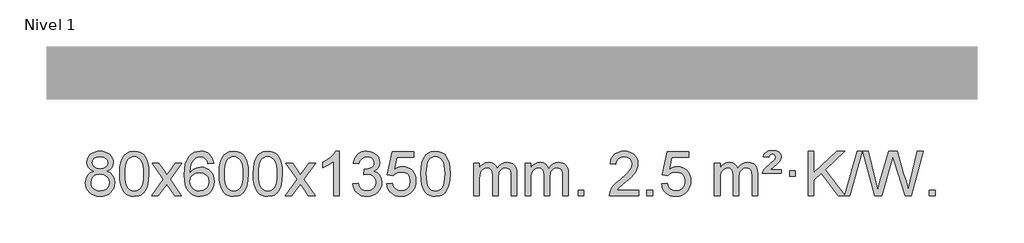
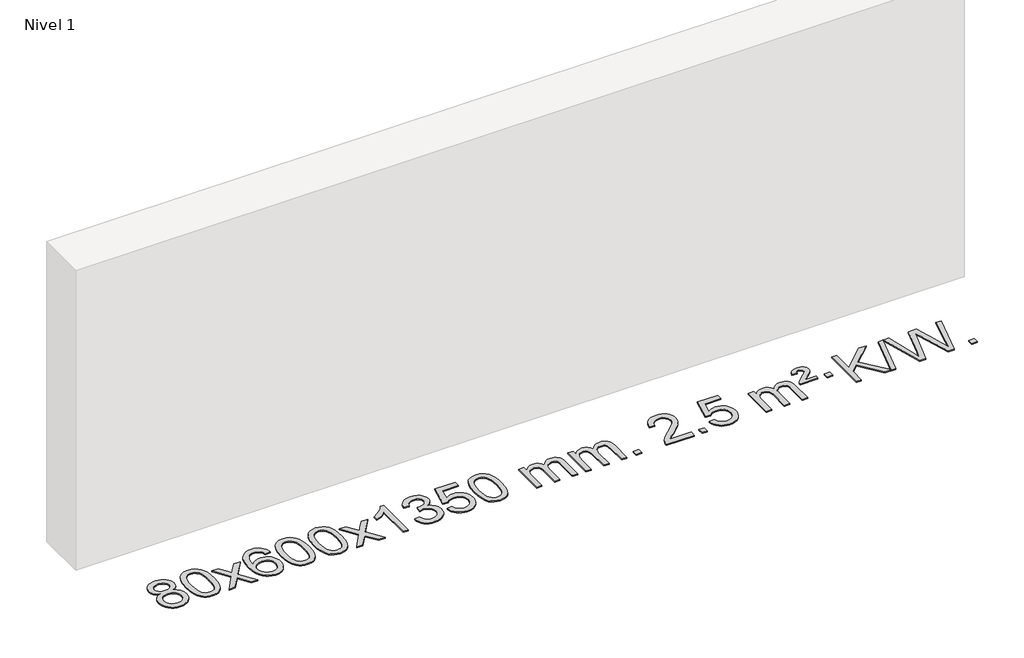
# One storey, part 14 of 15: 1 proxy.
"""IFC4 building model written with IfcOpenShell, lengths in millimetres."""

from ifc_helpers import new_model, si_unit, origin, origin_with_axes, place, context, project, spatial, polyline, outline, extrude, element, save

model = new_model("IFC4")

# Units and contexts
model_context = context("Model", 3, world=origin())
ifc_project = project(units=[si_unit("LENGTHUNIT", "METRE", prefix="MILLI")], contexts=[model_context])

# Site, building, storey
site = spatial("IfcSite", under=ifc_project)
building = spatial("IfcBuilding", under=site)
storey = spatial("IfcBuildingStorey", under=building, Name="Nivel 1", Elevation=0.0)

# Proxy
placement = place(None, origin())
element("IfcBuildingElementProxy", 1, Name="Texto de modelo 1", ObjectType="Texto de modelo 1", at=placement, inside=storey, context=model_context, shape_type="SweptSolid", body=[
    extrude(outline(polyline([(-13052.9663894, 2810.7383553), (-13079.8585632, 2823.9821071), (-13098.7309096, 2841.9347485), (-13109.877734, 2864.2283974), (-13113.5933422, 2890.4951719), (-13111.5699912, 2910.9800676), (-13105.4999383, 2929.7604435), (-13095.3831834, 2946.8362994), (-13081.2197266, 2962.2076355), (-13063.6901495, 2974.911827), (-13043.4750339, 2983.9862496), (-13020.5743797, 2989.4309031), (-12994.9881869, 2991.2457876), (-12969.2793668, 2989.3879835), (-12946.2070344, 2983.8145713), (-12925.7711895, 2974.5255509), (-12907.9718323, 2961.5209224), (-12893.5508581, 2945.8491494), (-12883.2501622, 2928.5586956), (-12877.0697447, 2909.6495611), (-12875.0096056, 2889.1217457), (-12878.6761628, 2863.7010999), (-12889.6758344, 2841.7875957), (-12908.1312479, 2823.9453189), (-12934.1650304, 2810.7383553), (-12903.2506801, 2794.8090649), (-12880.7485647, 2771.3504564), (-12867.0265663, 2741.4907011), (-12862.4525668, 2706.3579705), (-12864.7211724, 2681.3052067), (-12871.5269893, 2658.3371074), (-12882.8700175, 2637.4536728), (-12898.750257, 2618.6549029), (-12918.3338419, 2603.11802), (-12940.7869063, 2592.0202464), (-12966.1094503, 2585.3615823), (-12994.3014739, 2583.1420276), (-13022.4934974, 2585.3707794), (-13047.8160414, 2592.0570346), (-13070.2691059, 2603.2007934), (-13089.8526907, 2618.8020557), (-13105.7329302, 2637.73265), (-13117.0759584, 2658.864405), (-13123.8817753, 2682.1973205), (-13126.1503809, 2707.7313967), (-13121.3924405, 2744.2252906), (-13107.118619, 2774.2444614), (-13084.0646807, 2796.7588395), (-13052.9663894, 2810.7383553)]), holes=[polyline([(-13063.3651871, 2889.0236439), (-13058.9138149, 2867.097877), (-13045.5596985, 2849.586694), (-13023.6952453, 2838.1087757), (-12993.7128627, 2834.282803), (-12964.4294559, 2838.0842503), (-12942.8960964, 2849.4885921), (-12929.6523446, 2866.4111639), (-12925.2377606, 2886.767301), (-12929.7994974, 2907.8959902), (-12943.4847076, 2925.370385), (-12965.3123726, 2937.1058206), (-12994.3014739, 2941.0176325), (-13023.4745161, 2937.1916598), (-13045.2653929, 2925.7137415), (-13058.8402385, 2908.8892716), (-13063.3651871, 2889.0236439)]), polyline([(-13075.9222259, 2709.4972302), (-13073.8252985, 2690.2815274), (-13067.5345164, 2671.6789611), (-13055.9217081, 2655.4553651), (-13037.8587021, 2643.376573), (-13016.2272408, 2635.8717803), (-12993.9090664, 2633.3701827), (-12959.7205663, 2638.6308952), (-12945.8268896, 2645.2067859), (-12934.0669285, 2654.4130328), (-12918.0272735, 2678.3130998), (-12912.6807219, 2707.9276004), (-12918.1989518, 2738.0448731), (-12934.7536416, 2762.4722375), (-12946.8324337, 2771.9145421), (-12960.9958906, 2778.6590453), (-12995.5767981, 2784.0546479), (-13029.2870516, 2778.7326217), (-13043.0243784, 2772.080089), (-13054.683172, 2762.7665431), (-13070.6124624, 2738.8051625), (-13075.9222259, 2709.4972302)])]), origin_with_axes(), (0.0, 0.0, 1.0), 10.0),
    extrude(outline(polyline([(-12818.5029311, 2787.0958057), (-12814.8118484, 2851.4138412), (-12803.7386004, 2902.7088541), (-12785.3935515, 2941.7656593), (-12773.5354886, 2956.9990395), (-12759.8870665, 2969.3690716), (-12744.4023002, 2978.9401349), (-12727.0352044, 2985.7766086), (-12686.654024, 2991.2457876), (-12655.7028855, 2988.008426), (-12627.9891085, 2978.2963414), (-12604.8125428, 2962.4896783), (-12587.4730381, 2940.9685816), (-12574.3764391, 2913.9169922), (-12563.9285904, 2881.5188512), (-12557.0859853, 2840.3773814), (-12554.805117, 2787.0958057), (-12558.4594114, 2723.1456523), (-12569.4222949, 2671.9732667), (-12587.6569791, 2632.8796734), (-12599.487451, 2617.6003078), (-12613.1266759, 2605.1658964), (-12628.6298363, 2595.5304538), (-12646.0521145, 2588.6479948), (-12686.654024, 2583.1420276), (-12714.3187501, 2585.5332606), (-12738.8442164, 2592.7069595), (-12760.2304231, 2604.6631243), (-12778.47737, 2621.4017551), (-12795.988553, 2651.6600492), (-12808.4965408, 2689.3618224), (-12816.0013335, 2734.5070745), (-12818.5029311, 2787.0958057)]), holes=[polyline([(-12768.274776, 2787.1939076), (-12766.803248, 2743.5293805), (-12762.3886641, 2708.1851178), (-12755.0310242, 2681.1611196), (-12744.7303283, 2662.4573858), (-12732.2713914, 2649.7317344), (-12718.4390284, 2640.6419835), (-12703.2332393, 2635.1881329), (-12686.654024, 2633.3701827), (-12670.0748088, 2635.1942643), (-12654.8690196, 2640.6665089), (-12641.0366566, 2649.7869167), (-12628.5777197, 2662.5554876), (-12618.2770239, 2681.2898783), (-12610.919384, 2708.3077451), (-12606.5048, 2743.6090882), (-12605.033272, 2787.1939076), (-12606.4557491, 2829.7026722), (-12610.7231802, 2864.4246011), (-12617.8355655, 2891.3596945), (-12627.7929048, 2910.5079524), (-12640.0433752, 2923.8559375), (-12654.0351538, 2933.3902125), (-12669.7682404, 2939.1107775), (-12687.2426352, 2941.0176325), (-12703.7360113, 2939.3376381), (-12718.6842831, 2934.2976548), (-12732.0874504, 2925.8976825), (-12743.9455134, 2914.1377214), (-12754.5895658, 2893.291075), (-12762.1924604, 2865.1848906), (-12766.7541971, 2829.8191681), (-12768.274776, 2787.1939076)])]), origin_with_axes(), (0.0, 0.0, 1.0), 10.0),
    extrude(outline(polyline([(-12529.6910394, 2589.420547), (-12422.3675987, 2737.7505675), (-12523.41252, 2884.5109581), (-12462.981771, 2884.5109581), (-12414.2251439, 2813.877615), (-12391.4655111, 2780.5229808), (-12371.7470362, 2807.7952993), (-12316.2213804, 2884.5109581), (-12255.7906313, 2884.5109581), (-12361.9368496, 2737.7505675), (-12259.7147059, 2589.420547), (-12320.145455, 2589.420547), (-12381.6553246, 2678.5951426), (-12392.9370391, 2694.8800523), (-12469.2602903, 2589.420547), (-12529.6910394, 2589.420547)])), origin_with_axes(), (0.0, 0.0, 1.0), 10.0),
    extrude(outline(polyline([(-11970.9028142, 2884.5109581), (-12021.1309693, 2878.2324387), (-12029.2243732, 2903.125787), (-12040.1627312, 2920.1219352), (-12062.9468894, 2935.7937082), (-12090.4889881, 2941.0176325), (-12113.8372321, 2937.9764747), (-12135.8120499, 2928.8530012), (-12154.6843963, 2909.6372983), (-12170.0986519, 2883.1865829), (-12180.5097123, 2845.772984), (-12184.3724733, 2793.6686307), (-12164.2248027, 2817.1762902), (-12140.0794811, 2833.7432427), (-12113.2854091, 2843.565692), (-12085.1914874, 2846.8398418), (-12061.0584285, 2844.601893), (-12038.7893051, 2837.8880466), (-12018.3841171, 2826.6983025), (-11999.8428645, 2811.0326609), (-11984.4347403, 2791.8230894), (-11973.4289372, 2770.0015557), (-11966.8254554, 2745.5680599), (-11964.6242948, 2718.5226018), (-11968.7690986, 2682.5560055), (-11981.2035101, 2649.213634), (-12000.8974596, 2620.9357713), (-12026.8208775, 2600.1627013), (-12057.7965415, 2587.397196), (-12092.6472291, 2583.1420276), (-12122.5897579, 2585.9624563), (-12149.6321502, 2594.4237421), (-12173.7744061, 2608.5258853), (-12195.0165257, 2628.2688857), (-12212.3345706, 2654.4866092), (-12224.7046027, 2688.0129217), (-12232.1266219, 2728.8478232), (-12234.6006284, 2776.9913136), (-12231.8537761, 2830.9657337), (-12223.6132194, 2877.0306908), (-12209.8789583, 2915.1861851), (-12190.6509927, 2945.4322165), (-12169.8104776, 2965.4756538), (-12145.6467619, 2979.7923948), (-12118.1598455, 2988.3824394), (-12087.3497284, 2991.2457876), (-12064.2160823, 2989.4738227), (-12043.2774654, 2984.1579278), (-12024.5338777, 2975.2981031), (-12007.9853193, 2962.8943485), (-11994.0793799, 2947.3635969), (-11983.2636492, 2929.1227814), (-11975.5381274, 2908.1719017), (-11970.9028142, 2884.5109581)]), holes=[polyline([(-12184.3724733, 2719.3074168), (-12181.4662055, 2697.0505561), (-12172.7474022, 2675.7992395), (-12159.2093448, 2657.527767), (-12141.8453146, 2644.2104388), (-12120.8883036, 2636.0802467), (-12096.5713038, 2633.3701827), (-12063.425136, 2638.9865145), (-12049.5099995, 2646.0069292), (-12037.366828, 2655.8355099), (-12027.5167876, 2668.0737176), (-12020.4810444, 2682.3230135), (-12014.8524499, 2716.8548701), (-12020.407468, 2750.0010379), (-12027.3512407, 2763.6218688), (-12037.0725224, 2775.274531), (-12049.2524821, 2784.6095366), (-12063.5722888, 2791.2773978), (-12098.6314429, 2796.6116867), (-12131.7285598, 2791.2773978), (-12159.4055485, 2775.274531), (-12170.3285781, 2763.7751529), (-12178.1307421, 2750.6141746), (-12182.8120405, 2735.7915958), (-12184.3724733, 2719.3074168)])]), origin_with_axes(), (0.0, 0.0, 1.0), 10.0),
    extrude(outline(polyline([(-11920.6746591, 2787.0958057), (-11916.9835765, 2851.4138412), (-11905.9103284, 2902.7088541), (-11887.5652796, 2941.7656593), (-11875.7072166, 2956.9990395), (-11862.0587946, 2969.3690716), (-11846.5740283, 2978.9401349), (-11829.2069324, 2985.7766086), (-11788.8257521, 2991.2457876), (-11757.8746135, 2988.008426), (-11730.1608366, 2978.2963414), (-11706.9842709, 2962.4896783), (-11689.6447662, 2940.9685816), (-11676.5481671, 2913.9169922), (-11666.1003185, 2881.5188512), (-11659.2577134, 2840.3773814), (-11656.976845, 2787.0958057), (-11660.6311395, 2723.1456523), (-11671.5940229, 2671.9732667), (-11689.8287072, 2632.8796734), (-11701.659179, 2617.6003078), (-11715.298404, 2605.1658964), (-11730.8015644, 2595.5304538), (-11748.2238425, 2588.6479948), (-11788.8257521, 2583.1420276), (-11816.4904781, 2585.5332606), (-11841.0159444, 2592.7069595), (-11862.4021511, 2604.6631243), (-11880.6490981, 2621.4017551), (-11898.160281, 2651.6600492), (-11910.6682689, 2689.3618224), (-11918.1730616, 2734.5070745), (-11920.6746591, 2787.0958057)]), holes=[polyline([(-11870.4465041, 2787.1939076), (-11868.9749761, 2743.5293805), (-11864.5603921, 2708.1851178), (-11857.2027522, 2681.1611196), (-11846.9020564, 2662.4573858), (-11834.4431195, 2649.7317344), (-11820.6107564, 2640.6419835), (-11805.4049673, 2635.1881329), (-11788.8257521, 2633.3701827), (-11772.2465368, 2635.1942643), (-11757.0407477, 2640.6665089), (-11743.2083847, 2649.7869167), (-11730.7494478, 2662.5554876), (-11720.4487519, 2681.2898783), (-11713.091112, 2708.3077451), (-11708.676528, 2743.6090882), (-11707.2050001, 2787.1939076), (-11708.6274771, 2829.7026722), (-11712.8949083, 2864.4246011), (-11720.0072935, 2891.3596945), (-11729.9646328, 2910.5079524), (-11742.2151033, 2923.8559375), (-11756.2068818, 2933.3902125), (-11771.9399685, 2939.1107775), (-11789.4143633, 2941.0176325), (-11805.9077394, 2939.3376381), (-11820.8560111, 2934.2976548), (-11834.2591785, 2925.8976825), (-11846.1172414, 2914.1377214), (-11856.7612938, 2893.291075), (-11864.3641884, 2865.1848906), (-11868.9259251, 2829.8191681), (-11870.4465041, 2787.1939076)])]), origin_with_axes(), (0.0, 0.0, 1.0), 10.0),
    extrude(outline(polyline([(-11613.0272093, 2787.0958057), (-11609.3361266, 2851.4138412), (-11598.2628786, 2902.7088541), (-11579.9178297, 2941.7656593), (-11568.0597668, 2956.9990395), (-11554.4113447, 2969.3690716), (-11538.9265784, 2978.9401349), (-11521.5594826, 2985.7766086), (-11481.1783022, 2991.2457876), (-11450.2271637, 2988.008426), (-11422.5133867, 2978.2963414), (-11399.336821, 2962.4896783), (-11381.9973163, 2940.9685816), (-11368.9007173, 2913.9169922), (-11358.4528686, 2881.5188512), (-11351.6102635, 2840.3773814), (-11349.3293952, 2787.0958057), (-11352.9836896, 2723.1456523), (-11363.9465731, 2671.9732667), (-11382.1812573, 2632.8796734), (-11394.0117292, 2617.6003078), (-11407.6509541, 2605.1658964), (-11423.1541145, 2595.5304538), (-11440.5763927, 2588.6479948), (-11481.1783022, 2583.1420276), (-11508.8430283, 2585.5332606), (-11533.3684946, 2592.7069595), (-11554.7547013, 2604.6631243), (-11573.0016482, 2621.4017551), (-11590.5128312, 2651.6600492), (-11603.020819, 2689.3618224), (-11610.5256117, 2734.5070745), (-11613.0272093, 2787.0958057)]), holes=[polyline([(-11562.7990542, 2787.1939076), (-11561.3275262, 2743.5293805), (-11556.9129423, 2708.1851178), (-11549.5553024, 2681.1611196), (-11539.2546065, 2662.4573858), (-11526.7956696, 2649.7317344), (-11512.9633066, 2640.6419835), (-11497.7575175, 2635.1881329), (-11481.1783022, 2633.3701827), (-11464.599087, 2635.1942643), (-11449.3932978, 2640.6665089), (-11435.5609348, 2649.7869167), (-11423.1019979, 2662.5554876), (-11412.8013021, 2681.2898783), (-11405.4436622, 2708.3077451), (-11401.0290782, 2743.6090882), (-11399.5575502, 2787.1939076), (-11400.9800273, 2829.7026722), (-11405.2474584, 2864.4246011), (-11412.3598437, 2891.3596945), (-11422.317183, 2910.5079524), (-11434.5676534, 2923.8559375), (-11448.559432, 2933.3902125), (-11464.2925187, 2939.1107775), (-11481.7669134, 2941.0176325), (-11498.2602895, 2939.3376381), (-11513.2085613, 2934.2976548), (-11526.6117286, 2925.8976825), (-11538.4697916, 2914.1377214), (-11549.113844, 2893.291075), (-11556.7167386, 2865.1848906), (-11561.2784753, 2829.8191681), (-11562.7990542, 2787.1939076)])]), origin_with_axes(), (0.0, 0.0, 1.0), 10.0),
    extrude(outline(polyline([(-11324.2153176, 2589.420547), (-11216.8918769, 2737.7505675), (-11317.9367982, 2884.5109581), (-11257.5060492, 2884.5109581), (-11208.7494221, 2813.877615), (-11185.9897893, 2780.5229808), (-11166.2713144, 2807.7952993), (-11110.7456586, 2884.5109581), (-11050.3149095, 2884.5109581), (-11156.4611278, 2737.7505675), (-11054.2389841, 2589.420547), (-11114.6697332, 2589.420547), (-11176.1796028, 2678.5951426), (-11187.4613173, 2694.8800523), (-11263.7845685, 2589.420547), (-11324.2153176, 2589.420547)])), origin_with_axes(), (0.0, 0.0, 1.0), 10.0),
    extrude(outline(polyline([(-10834.4908056, 2589.420547), (-10884.7189607, 2589.420547), (-10884.7189607, 2902.5617013), (-10905.6882344, 2885.6023413), (-10932.2983654, 2868.6675068), (-10985.1752709, 2843.3081746), (-10985.1752709, 2890.7894775), (-10945.7260583, 2912.2492605), (-10911.5498209, 2937.780271), (-10884.6085961, 2964.9299622), (-10866.8644212, 2991.2457876), (-10834.4908056, 2991.2457876), (-10834.4908056, 2589.420547)])), origin_with_axes(), (0.0, 0.0, 1.0), 10.0),
    extrude(outline(polyline([(-10715.1989373, 2696.1553765), (-10664.9707823, 2702.4338959), (-10653.7258559, 2670.8696207), (-10637.2570053, 2649.5569905), (-10614.7548899, 2637.4168846), (-10585.4101694, 2633.3701827), (-10550.9764147, 2638.9374636), (-10536.7025933, 2645.8965646), (-10524.3908092, 2655.6393061), (-10507.394661, 2680.5571799), (-10501.7292783, 2710.7725545), (-10507.3456101, 2739.4550874), (-10524.1946054, 2762.7174922), (-10549.7010904, 2778.1317478), (-10581.2898911, 2783.269833), (-10616.5084608, 2777.7761285), (-10610.9166544, 2828.0042836), (-10602.8723015, 2827.4156724), (-10572.7795543, 2831.020916), (-10545.8751177, 2841.8366466), (-10534.8018696, 2850.0158897), (-10526.8924067, 2860.1326445), (-10522.146729, 2872.1869112), (-10520.5648364, 2886.1786898), (-10525.1510986, 2907.8714648), (-10538.9098853, 2925.4684869), (-10559.9036844, 2937.1303461), (-10586.1949844, 2941.0176325), (-10612.5353352, 2937.0935579), (-10634.0686947, 2925.3213341), (-10649.7895186, 2905.700961), (-10658.6922629, 2878.2324387), (-10708.920418, 2884.5109581), (-10702.966861, 2908.4907328), (-10694.1315618, 2929.6132907), (-10682.4145202, 2947.8786317), (-10667.8157364, 2963.286756), (-10650.7950627, 2975.5188323), (-10631.8123518, 2984.2560297), (-10610.8676035, 2989.4983481), (-10587.9608179, 2991.2457876), (-10556.38428, 2987.7999596), (-10527.3829161, 2977.4624755), (-10502.9310261, 2961.1530404), (-10485.0029102, 2939.7913592), (-10474.0032386, 2915.1800537), (-10470.3366814, 2889.1217457), (-10473.8192976, 2864.8415341), (-10484.2671462, 2842.8176653), (-10501.5330745, 2824.0556835), (-10525.4699297, 2809.5611329), (-10494.0282818, 2796.8569414), (-10470.7290888, 2775.22548), (-10456.3081146, 2745.8439714), (-10451.5011232, 2709.8896377), (-10453.9046189, 2684.4076782), (-10461.115106, 2660.9368069), (-10473.1325845, 2639.4770238), (-10489.9570544, 2620.028329), (-10510.4542129, 2603.8905722), (-10533.4897572, 2592.363603), (-10559.0636872, 2585.4474215), (-10587.176003, 2583.1420276), (-10612.5843862, 2585.1101963), (-10635.7364264, 2591.0147023), (-10656.6321237, 2600.8555457), (-10675.2714781, 2614.6327264), (-10690.9003316, 2631.5369041), (-10702.7645259, 2650.7587383), (-10710.8640612, 2672.2982292), (-10715.1989373, 2696.1553765)])), origin_with_axes(), (0.0, 0.0, 1.0), 10.0),
    extrude(outline(polyline([(-10407.5514875, 2696.1553765), (-10357.3233324, 2702.4338959), (-10348.1017571, 2672.2798351), (-10332.0130512, 2650.6851619), (-10309.1307911, 2637.6989275), (-10279.5285532, 2633.3701827), (-10260.3986894, 2634.8754332), (-10243.5251686, 2639.3911847), (-10228.9079907, 2646.9174372), (-10216.5471556, 2657.4541906), (-10206.718575, 2670.480279), (-10199.6981602, 2685.4745359), (-10194.0818284, 2721.3675559), (-10199.342541, 2755.1636486), (-10205.9184316, 2769.0818507), (-10215.1246786, 2781.0134901), (-10226.9919386, 2790.5845533), (-10241.5508686, 2797.4210271), (-10278.7437383, 2802.8902061), (-10303.1097891, 2800.7074396), (-10322.8405268, 2794.1591401), (-10338.5981389, 2784.1282243), (-10351.044813, 2771.4976092), (-10401.2729681, 2777.7761285), (-10357.3233324, 2984.9672682), (-10162.6892315, 2984.9672682), (-10162.6892315, 2934.7391131), (-10316.7091602, 2934.7391131), (-10338.1934687, 2824.080209), (-10320.4676879, 2836.7844006), (-10302.3127114, 2845.8588231), (-10283.7285393, 2851.3034766), (-10264.7151715, 2853.1183612), (-10240.2540845, 2850.8681496), (-10217.7856917, 2844.117515), (-10197.3099929, 2832.8664573), (-10178.8269884, 2817.1149766), (-10163.5261631, 2797.8256973), (-10152.5970021, 2775.961244), (-10146.0395056, 2751.5216168), (-10143.8536734, 2724.5068156), (-10145.821842, 2698.4852958), (-10151.7263481, 2674.2786606), (-10161.5671914, 2651.8869098), (-10175.3443722, 2631.3100435), (-10196.215544, 2610.2365366), (-10220.5693321, 2595.1840316), (-10248.4057364, 2586.1525286), (-10279.7247569, 2583.1420276), (-10305.6451092, 2585.0764738), (-10329.0577325, 2590.8798123), (-10349.9626268, 2600.552043), (-10368.3597923, 2614.0931662), (-10383.666749, 2630.8287312), (-10395.3010171, 2650.084288), (-10403.2625966, 2671.8598364), (-10407.5514875, 2696.1553765)])), origin_with_axes(), (0.0, 0.0, 1.0), 10.0),
    extrude(outline(polyline([(-10099.9040377, 2787.0958057), (-10096.212955, 2851.4138412), (-10085.1397069, 2902.7088541), (-10066.7946581, 2941.7656593), (-10054.9365951, 2956.9990395), (-10041.2881731, 2969.3690716), (-10025.8034068, 2978.9401349), (-10008.4363109, 2985.7766086), (-9968.0551306, 2991.2457876), (-9937.1039921, 2988.008426), (-9909.3902151, 2978.2963414), (-9886.2136494, 2962.4896783), (-9868.8741447, 2940.9685816), (-9855.7775457, 2913.9169922), (-9845.329697, 2881.5188512), (-9838.4870919, 2840.3773814), (-9836.2062235, 2787.0958057), (-9839.860518, 2723.1456523), (-9850.8234015, 2671.9732667), (-9869.0580857, 2632.8796734), (-9880.8885575, 2617.6003078), (-9894.5277825, 2605.1658964), (-9910.0309429, 2595.5304538), (-9927.4532211, 2588.6479948), (-9968.0551306, 2583.1420276), (-9995.7198566, 2585.5332606), (-10020.245323, 2592.7069595), (-10041.6315296, 2604.6631243), (-10059.8784766, 2621.4017551), (-10077.3896596, 2651.6600492), (-10089.8976474, 2689.3618224), (-10097.4024401, 2734.5070745), (-10099.9040377, 2787.0958057)]), holes=[polyline([(-10049.6758826, 2787.1939076), (-10048.2043546, 2743.5293805), (-10043.7897707, 2708.1851178), (-10036.4321308, 2681.1611196), (-10026.1314349, 2662.4573858), (-10013.672498, 2649.7317344), (-9999.840135, 2640.6419835), (-9984.6343459, 2635.1881329), (-9968.0551306, 2633.3701827), (-9951.4759154, 2635.1942643), (-9936.2701262, 2640.6665089), (-9922.4377632, 2649.7869167), (-9909.9788263, 2662.5554876), (-9899.6781304, 2681.2898783), (-9892.3204905, 2708.3077451), (-9887.9059066, 2743.6090882), (-9886.4343786, 2787.1939076), (-9887.8568557, 2829.7026722), (-9892.1242868, 2864.4246011), (-9899.236672, 2891.3596945), (-9909.1940114, 2910.5079524), (-9921.4444818, 2923.8559375), (-9935.4362604, 2933.3902125), (-9951.169347, 2939.1107775), (-9968.6437418, 2941.0176325), (-9985.1371179, 2939.3376381), (-10000.0853897, 2934.2976548), (-10013.488557, 2925.8976825), (-10025.34662, 2914.1377214), (-10035.9906724, 2893.291075), (-10043.5935669, 2865.1848906), (-10048.1553037, 2829.8191681), (-10049.6758826, 2787.1939076)])]), origin_with_axes(), (0.0, 0.0, 1.0), 10.0),
    extrude(outline(polyline([(-9622.7365645, 2589.420547), (-9622.7365645, 2884.5109581), (-9572.5084094, 2884.5109581), (-9572.5084094, 2835.9505347), (-9557.4007221, 2858.2564463), (-9537.9765528, 2875.7308411), (-9514.8980889, 2887.0248184), (-9488.8275182, 2890.7894775), (-9460.8930121, 2886.951242), (-9438.5012613, 2875.4365355), (-9421.7748932, 2857.0056476), (-9410.8365352, 2832.4188676), (-9392.5282746, 2857.9560094), (-9371.64484, 2876.196825), (-9348.1862315, 2887.1413143), (-9322.1524489, 2890.7894775), (-9302.0446322, 2889.2719642), (-9284.3954935, 2884.7194245), (-9269.2050328, 2877.1318584), (-9256.4732501, 2866.5092658), (-9246.4086118, 2852.7290194), (-9239.2195845, 2835.6684918), (-9234.9061681, 2815.3276832), (-9233.4683626, 2791.7065934), (-9233.4683626, 2589.420547), (-9283.6965177, 2589.420547), (-9283.6965177, 2770.124183), (-9284.8614774, 2795.1769469), (-9288.3563563, 2812.0627305), (-9294.9046558, 2823.6264879), (-9305.2298772, 2832.7131732), (-9318.5104172, 2838.5992851), (-9333.9246728, 2840.5613224), (-9361.1356777, 2835.5336018), (-9383.318962, 2820.45044), (-9391.924335, 2808.8805512), (-9398.07103, 2794.2817674), (-9402.988386, 2755.9975144), (-9402.988386, 2589.420547), (-9453.2165411, 2589.420547), (-9453.2165411, 2775.7159894), (-9456.1228088, 2804.1164794), (-9464.8416121, 2824.3745146), (-9480.1822913, 2836.5146204), (-9502.9541868, 2840.5613224), (-9522.3047798, 2837.8635211), (-9540.1347938, 2829.7701172), (-9554.8500736, 2816.4773144), (-9564.8564639, 2798.1813165), (-9570.595423, 2772.7974589), (-9572.5084094, 2738.2410768), (-9572.5084094, 2589.420547), (-9622.7365645, 2589.420547)])), origin_with_axes(), (0.0, 0.0, 1.0), 10.0),
    extrude(outline(polyline([(-9158.12613, 2589.420547), (-9158.12613, 2884.5109581), (-9107.8979749, 2884.5109581), (-9107.8979749, 2835.9505347), (-9092.7902877, 2858.2564463), (-9073.3661183, 2875.7308411), (-9050.2876545, 2887.0248184), (-9024.2170838, 2890.7894775), (-8996.2825776, 2886.951242), (-8973.8908268, 2875.4365355), (-8957.1644588, 2857.0056476), (-8946.2261008, 2832.4188676), (-8927.9178402, 2857.9560094), (-8907.0344056, 2876.196825), (-8883.575797, 2887.1413143), (-8857.5420145, 2890.7894775), (-8837.4341978, 2889.2719642), (-8819.7850591, 2884.7194245), (-8804.5945983, 2877.1318584), (-8791.8628156, 2866.5092658), (-8781.7981774, 2852.7290194), (-8774.6091501, 2835.6684918), (-8770.2957337, 2815.3276832), (-8768.8579282, 2791.7065934), (-8768.8579282, 2589.420547), (-8819.0860833, 2589.420547), (-8819.0860833, 2770.124183), (-8820.2510429, 2795.1769469), (-8823.7459219, 2812.0627305), (-8830.2942214, 2823.6264879), (-8840.6194427, 2832.7131732), (-8853.8999827, 2838.5992851), (-8869.3142383, 2840.5613224), (-8896.5252433, 2835.5336018), (-8918.7085276, 2820.45044), (-8927.3139006, 2808.8805512), (-8933.4605956, 2794.2817674), (-8938.3779516, 2755.9975144), (-8938.3779516, 2589.420547), (-8988.6061066, 2589.420547), (-8988.6061066, 2775.7159894), (-8991.5123744, 2804.1164794), (-9000.2311777, 2824.3745146), (-9015.5718569, 2836.5146204), (-9038.3437524, 2840.5613224), (-9057.6943453, 2837.8635211), (-9075.5243594, 2829.7701172), (-9090.2396392, 2816.4773144), (-9100.2460294, 2798.1813165), (-9105.9849886, 2772.7974589), (-9107.8979749, 2738.2410768), (-9107.8979749, 2589.420547), (-9158.12613, 2589.420547)])), origin_with_axes(), (0.0, 0.0, 1.0), 10.0),
    extrude(outline(polyline([(-8680.9586568, 2589.420547), (-8680.9586568, 2639.6487021), (-8630.7305017, 2639.6487021), (-8630.7305017, 2589.420547), (-8680.9586568, 2589.420547)])), origin_with_axes(), (0.0, 0.0, 1.0), 10.0),
    extrude(outline(polyline([(-8134.7274704, 2639.6487021), (-8134.7274704, 2589.420547), (-8398.4252845, 2589.420547), (-8397.3216385, 2607.1034082), (-8393.0296819, 2624.0505055), (-8380.6443214, 2651.1143576), (-8362.5200018, 2677.3688693), (-8336.3022783, 2704.8496544), (-8299.6367061, 2735.5923264), (-8245.4354255, 2783.7358169), (-8212.9146571, 2819.2732176), (-8196.6542729, 2848.115166), (-8191.2341448, 2876.1722995), (-8196.3477046, 2901.3231653), (-8211.6883838, 2922.2311253), (-8235.2696197, 2936.3210057), (-8265.1048495, 2941.0176325), (-8296.4361327, 2936.4313703), (-8320.7776581, 2922.6725837), (-8336.4862193, 2900.8203932), (-8341.9186101, 2871.9539193), (-8392.1467651, 2878.2324387), (-8387.8272174, 2904.161988), (-8379.9698711, 2926.8173875), (-8368.5747263, 2946.1986373), (-8353.641783, 2962.3057373), (-8335.5143977, 2974.9670093), (-8314.5359269, 2984.010775), (-8290.7063706, 2989.4370345), (-8264.0257289, 2991.2457876), (-8237.1059639, 2989.2346994), (-8213.147649, 2983.2014346), (-8192.1507841, 2973.1459934), (-8174.1153693, 2959.0683758), (-8159.6300158, 2942.0109139), (-8149.2833346, 2923.0159402), (-8143.075326, 2902.0834547), (-8141.0059898, 2879.2134573), (-8143.2378072, 2855.1907631), (-8149.9332595, 2831.5850017), (-8161.815848, 2807.5745701), (-8179.6090738, 2782.3378653), (-8207.9727756, 2752.2083299), (-8251.566792, 2713.5194067), (-8309.3487908, 2665.204238), (-8332.0103217, 2639.6487021), (-8134.7274704, 2639.6487021)])), origin_with_axes(), (0.0, 0.0, 1.0), 10.0),
    extrude(outline(polyline([(-8059.3852378, 2589.420547), (-8059.3852378, 2639.6487021), (-8009.1570827, 2639.6487021), (-8009.1570827, 2589.420547), (-8059.3852378, 2589.420547)])), origin_with_axes(), (0.0, 0.0, 1.0), 10.0),
    extrude(outline(polyline([(-7927.5363307, 2696.1553765), (-7877.3081756, 2702.4338959), (-7868.0866003, 2672.2798351), (-7851.9978943, 2650.6851619), (-7829.1156342, 2637.6989275), (-7799.5133964, 2633.3701827), (-7780.3835326, 2634.8754332), (-7763.5100118, 2639.3911847), (-7748.8928338, 2646.9174372), (-7736.5319988, 2657.4541906), (-7726.7034182, 2670.480279), (-7719.6830034, 2685.4745359), (-7714.0666716, 2721.3675559), (-7719.3273842, 2755.1636486), (-7725.9032748, 2769.0818507), (-7735.1095217, 2781.0134901), (-7746.9767818, 2790.5845533), (-7761.5357117, 2797.4210271), (-7798.7285814, 2802.8902061), (-7823.0946323, 2800.7074396), (-7842.8253699, 2794.1591401), (-7858.5829821, 2784.1282243), (-7871.0296562, 2771.4976092), (-7921.2578113, 2777.7761285), (-7877.3081756, 2984.9672682), (-7682.6740747, 2984.9672682), (-7682.6740747, 2934.7391131), (-7836.6940033, 2934.7391131), (-7858.1783119, 2824.080209), (-7840.4525311, 2836.7844006), (-7822.2975546, 2845.8588231), (-7803.7133825, 2851.3034766), (-7784.7000147, 2853.1183612), (-7760.2389277, 2850.8681496), (-7737.7705348, 2844.117515), (-7717.2948361, 2832.8664573), (-7698.8118316, 2817.1149766), (-7683.5110062, 2797.8256973), (-7672.5818453, 2775.961244), (-7666.0243487, 2751.5216168), (-7663.8385165, 2724.5068156), (-7665.8066852, 2698.4852958), (-7671.7111912, 2674.2786606), (-7681.5520346, 2651.8869098), (-7695.3292153, 2631.3100435), (-7716.2003872, 2610.2365366), (-7740.5541753, 2595.1840316), (-7768.3905796, 2586.1525286), (-7799.7096001, 2583.1420276), (-7825.6299523, 2585.0764738), (-7849.0425757, 2590.8798123), (-7869.94747, 2600.552043), (-7888.3446355, 2614.0931662), (-7903.6515922, 2630.8287312), (-7915.2858603, 2650.084288), (-7923.2474398, 2671.8598364), (-7927.5363307, 2696.1553765)])), origin_with_axes(), (0.0, 0.0, 1.0), 10.0),
    extrude(outline(polyline([(-7450.3688575, 2589.420547), (-7450.3688575, 2884.5109581), (-7400.1407024, 2884.5109581), (-7400.1407024, 2835.9505347), (-7385.0330151, 2858.2564463), (-7365.6088458, 2875.7308411), (-7342.530382, 2887.0248184), (-7316.4598112, 2890.7894775), (-7288.5253051, 2886.951242), (-7266.1335543, 2875.4365355), (-7249.4071862, 2857.0056476), (-7238.4688283, 2832.4188676), (-7220.1605676, 2857.9560094), (-7199.277133, 2876.196825), (-7175.8185245, 2887.1413143), (-7149.784742, 2890.7894775), (-7129.6769252, 2889.2719642), (-7112.0277865, 2884.7194245), (-7096.8373258, 2877.1318584), (-7084.1055431, 2866.5092658), (-7074.0409048, 2852.7290194), (-7066.8518775, 2835.6684918), (-7062.5384611, 2815.3276832), (-7061.1006556, 2791.7065934), (-7061.1006556, 2589.420547), (-7111.3288107, 2589.420547), (-7111.3288107, 2770.124183), (-7112.4937704, 2795.1769469), (-7115.9886493, 2812.0627305), (-7122.5369488, 2823.6264879), (-7132.8621702, 2832.7131732), (-7146.1427102, 2838.5992851), (-7161.5569658, 2840.5613224), (-7188.7679707, 2835.5336018), (-7210.951255, 2820.45044), (-7219.556628, 2808.8805512), (-7225.703323, 2794.2817674), (-7230.620679, 2755.9975144), (-7230.620679, 2589.420547), (-7280.8488341, 2589.420547), (-7280.8488341, 2775.7159894), (-7283.7551019, 2804.1164794), (-7292.4739051, 2824.3745146), (-7307.8145843, 2836.5146204), (-7330.5864798, 2840.5613224), (-7349.9370728, 2837.8635211), (-7367.7670868, 2829.7701172), (-7382.4823666, 2816.4773144), (-7392.4887569, 2798.1813165), (-7398.227716, 2772.7974589), (-7400.1407024, 2738.2410768), (-7400.1407024, 2589.420547), (-7450.3688575, 2589.420547)])), origin_with_axes(), (0.0, 0.0, 1.0), 10.0),
    extrude(outline(polyline([(-7017.15102, 2790.3331673), (-7013.3250472, 2806.1520931), (-7004.9863887, 2822.0200698), (-6983.4775547, 2847.1586728), (-6951.520872, 2874.8969753), (-6907.3750326, 2912.273786), (-6900.2381219, 2923.8007552), (-6897.8591517, 2935.6220299), (-6899.7476126, 2947.7130848), (-6905.4129953, 2957.4987459), (-6914.7817234, 2963.973469), (-6927.7802206, 2966.1317101), (-6940.214632, 2964.5130293), (-6949.0683254, 2959.656987), (-6955.4939976, 2950.1901569), (-6960.6443455, 2934.7391131), (-7010.8725006, 2941.0176325), (-7000.0322444, 2966.2298119), (-6983.4039783, 2983.7900458), (-6959.6388014, 2994.0907417), (-6927.3878131, 2997.524307), (-6891.6051577, 2993.3917659), (-6866.8589622, 2980.9941427), (-6852.437988, 2962.6613566), (-6847.6309966, 2940.7233269), (-6851.7267495, 2917.8165414), (-6864.0140081, 2896.1850801), (-6884.5418234, 2876.3685032), (-6921.0111919, 2848.3113697), (-6946.6157788, 2821.7257642), (-6847.6309966, 2821.7257642), (-6847.6309966, 2790.3331673), (-7017.15102, 2790.3331673)])), origin_with_axes(), (0.0, 0.0, 1.0), 10.0),
    extrude(outline(polyline([(-6772.288764, 2765.2190898), (-6772.288764, 2815.4472448), (-6722.0606089, 2815.4472448), (-6722.0606089, 2765.2190898), (-6772.288764, 2765.2190898)])), origin_with_axes(), (0.0, 0.0, 1.0), 10.0),
    extrude(outline(polyline([(-6331.4189809, 2589.420547), (-6484.8502984, 2792.0990009), (-6552.5405855, 2727.5479735), (-6552.5405855, 2589.420547), (-6602.7687406, 2589.420547), (-6602.7687406, 2991.2457876), (-6552.5405855, 2991.2457876), (-6552.5405855, 2794.5515475), (-6346.5266682, 2991.2457876), (-6276.2857326, 2991.2457876), (-6449.2393213, 2826.0422463), (-6274.5857114, 2595.4650668), (-6163.2723837, 2991.2457876), (-6117.9493219, 2991.2457876), (-6230.9626708, 2589.420547), (-6270.0072132, 2589.420547), (-6276.2857326, 2589.420547), (-6331.4189809, 2589.420547)])), origin_with_axes(), (0.0, 0.0, 1.0), 10.0),
    extrude(outline(polyline([(-6003.464445, 2589.420547), (-6113.0442286, 2991.2457876), (-6061.2464437, 2991.2457876), (-5997.6764349, 2727.155566), (-5978.0560618, 2645.6329159), (-5957.0622627, 2717.7377869), (-5877.403548, 2991.2457876), (-5802.7480284, 2991.2457876), (-5744.8679278, 2792.9819177), (-5720.0726814, 2719.4055186), (-5701.8012089, 2645.6329159), (-5682.7694471, 2724.8011212), (-5618.6108271, 2991.2457876), (-5566.8130422, 2991.2457876), (-5676.4909277, 2589.420547), (-5730.152648, 2589.420547), (-5826.4886798, 2899.4224416), (-5839.9286354, 2942.6853642), (-5855.0363227, 2890.5932737), (-5942.8374922, 2589.420547), (-6003.464445, 2589.420547)])), origin_with_axes(), (0.0, 0.0, 1.0), 10.0),
    extrude(outline(polyline([(-5510.3063677, 2589.420547), (-5510.3063677, 2639.6487021), (-5460.0782126, 2639.6487021), (-5460.0782126, 2589.420547), (-5510.3063677, 2589.420547)])), origin_with_axes(), (0.0, 0.0, 1.0), 10.0),
])

save(model, "model.ifc")
